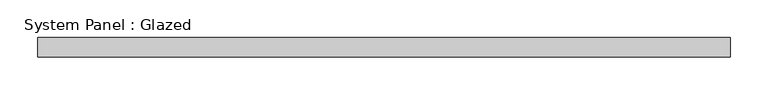
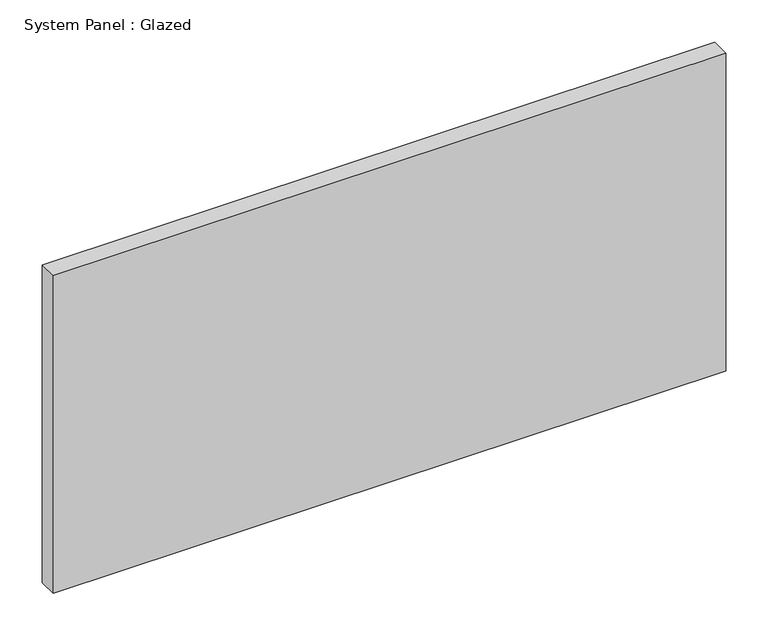
"""IFC4 building model written with IfcOpenShell, lengths in millimetres: plate geometry, System Panel : Glazed."""

import ifcopenshell
import ifcopenshell.guid

model = None  # the IFC model being written
_history = None  # IfcOwnerHistory: only IFC2X3 demands one
_inside = {}  # id of a spatial element -> (the spatial element, [elements in it])
_under = {}  # id of a project, library or spatial element -> (it, [spatial elements below it])
_declared = {}  # id of a project -> (the project, [libraries it declares])
_typed = {}  # id of a type object -> (the type object, [elements of that type])
_made_of = {}  # id of a material, layer set ... -> (it, [elements and type objects made of it])


def new_model(schema):
    """Start an empty IFC model of exactly this schema.

    Asked for "IFC4X3", IfcOpenShell would pick the latest addendum, in which some entities
    have other attributes; the version numbers below select the first issue.
    IFC2X3 requires an IfcOwnerHistory on every rooted entity: one is made here for all.
    """
    global model, _history
    if schema == "IFC4X3":
        model = ifcopenshell.file(schema_version=(4, 3, 0, 0))
    else:
        model = ifcopenshell.file(schema=schema)
    _inside.clear()
    _under.clear()
    _declared.clear()
    _typed.clear()
    _made_of.clear()
    _history = None
    if model.schema == "IFC2X3":
        org = make("IfcOrganization", Name="unknown")
        user = make(
            "IfcPersonAndOrganization",
            ThePerson=make("IfcPerson", FamilyName="unknown"),
            TheOrganization=org,
        )
        app = make(
            "IfcApplication",
            ApplicationDeveloper=org,
            Version="unknown",
            ApplicationFullName="unknown",
            ApplicationIdentifier="unknown",
        )
        _history = make(
            "IfcOwnerHistory",
            OwningUser=user,
            OwningApplication=app,
            ChangeAction="ADDED",
            CreationDate=0,
        )
    return model


def make(cls, **values):
    """One entity of the class cls with the attributes given. An attribute that is None is left unset."""
    return model.create_entity(
        cls, **{name: value for name, value in values.items() if value is not None}
    )


def rooted(cls, **values):
    """An entity with a GlobalId (a new one), such as an element, a storey or a relation."""
    return make(cls, GlobalId=ifcopenshell.guid.new(), OwnerHistory=_history, **values)


def si_unit(unit_type, name, prefix=None):
    """IfcSIUnit, for example si_unit("LENGTHUNIT", "METRE", prefix="MILLI")."""
    return make("IfcSIUnit", UnitType=unit_type, Prefix=prefix, Name=name)


def assignment(units):
    """IfcUnitAssignment: the units of a project."""
    return None if units is None else make("IfcUnitAssignment", Units=units)


def point(xyz):
    """IfcCartesianPoint."""
    return None if xyz is None else make("IfcCartesianPoint", Coordinates=xyz)


def direction(xyz):
    """IfcDirection."""
    return None if xyz is None else make("IfcDirection", DirectionRatios=xyz)


def frame(location, z_axis=None, x_axis=None):
    """IfcAxis2Placement3D, a coordinate frame: its origin and axes. An axis left out is left unset."""
    return make(
        "IfcAxis2Placement3D",
        Location=point(location),
        Axis=direction(z_axis),
        RefDirection=direction(x_axis),
    )


def origin():
    """The frame at (0, 0, 0) with its axes left unset."""
    return frame((0.0, 0.0, 0.0))


def origin_with_axes():
    """The frame at (0, 0, 0) with the z axis (0, 0, 1) and the x axis (1, 0, 0) written out."""
    return frame((0.0, 0.0, 0.0), z_axis=(0.0, 0.0, 1.0), x_axis=(1.0, 0.0, 0.0))


def place(relative_to, where):
    """IfcLocalPlacement: puts the frame where relative to a parent placement (None: the world)."""
    return make(
        "IfcLocalPlacement", PlacementRelTo=relative_to, RelativePlacement=where
    )


def context(
    kind, dimensions, precision=None, world=None, true_north=None, identifier=None
):
    """IfcGeometricRepresentationContext, for example the 3D "Model" context."""
    return make(
        "IfcGeometricRepresentationContext",
        ContextIdentifier=identifier,
        ContextType=kind,
        CoordinateSpaceDimension=dimensions,
        Precision=precision,
        WorldCoordinateSystem=world,
        TrueNorth=true_north,
    )


def project(units=None, contexts=None):
    """IfcProject with its units and contexts."""
    return rooted(
        "IfcProject",
        Name="project",
        RepresentationContexts=contexts,
        UnitsInContext=assignment(units),
    )


def spatial(cls, under=None, at=None, **own):
    """A site, building, storey or space (cls), placed at a placement, below another one or the project."""
    s = rooted(cls, ObjectPlacement=at, **own)
    if under is not None:
        _under.setdefault(under.id(), (under, []))[1].append(s)
    return s


def polyline(points):
    """IfcPolyline through the points."""
    return make("IfcPolyline", Points=[point(p) for p in points])


def outline(outer, holes=None, kind="AREA"):
    """IfcArbitraryClosedProfileDef: a profile drawn as a closed curve; with holes, ...WithVoids."""
    if holes is None:
        return make("IfcArbitraryClosedProfileDef", ProfileType=kind, OuterCurve=outer)
    return make(
        "IfcArbitraryProfileDefWithVoids",
        ProfileType=kind,
        OuterCurve=outer,
        InnerCurves=holes,
    )


def extrude(swept, where, along, depth):
    """IfcExtrudedAreaSolid: the profile swept, set in the frame where, extruded along a direction by depth."""
    return make(
        "IfcExtrudedAreaSolid",
        SweptArea=swept,
        Position=where,
        ExtrudedDirection=direction(along),
        Depth=depth,
    )


def shape(context_of_items, identifier, shape_type, items):
    """IfcShapeRepresentation: the items that make up one representation, for example the "Body"."""
    return make(
        "IfcShapeRepresentation",
        ContextOfItems=context_of_items,
        RepresentationIdentifier=identifier,
        RepresentationType=shape_type,
        Items=items,
    )


def source(mapping_origin, context_of_items, identifier, shape_type, items):
    """IfcRepresentationMap: a shape defined once, which mapped items show again and again."""
    return make(
        "IfcRepresentationMap",
        MappingOrigin=mapping_origin,
        MappedRepresentation=shape(context_of_items, identifier, shape_type, items),
    )


def transform(
    local_origin,
    x_axis=None,
    y_axis=None,
    z_axis=None,
    scale=None,
    scale2=None,
    scale3=None,
    uniform=True,
):
    """IfcCartesianTransformationOperator3D, or its non-uniform kind. x_axis, y_axis, z_axis: its Axis1, 2, 3."""
    if uniform:
        return make(
            "IfcCartesianTransformationOperator3D",
            Axis1=direction(x_axis),
            Axis2=direction(y_axis),
            LocalOrigin=point(local_origin),
            Scale=scale,
            Axis3=direction(z_axis),
        )
    return make(
        "IfcCartesianTransformationOperator3DnonUniform",
        Axis1=direction(x_axis),
        Axis2=direction(y_axis),
        LocalOrigin=point(local_origin),
        Scale=scale,
        Axis3=direction(z_axis),
        Scale2=scale2,
        Scale3=scale3,
    )


def mapped(mapping_source, mapping_target):
    """IfcMappedItem: shows the shape of a source again, moved by a transform."""
    return make(
        "IfcMappedItem", MappingSource=mapping_source, MappingTarget=mapping_target
    )


def made_of(thing, what):
    """Note that an element or type object is made of a material, layer set ...; save() writes the relation."""
    if what is not None:
        _made_of.setdefault(what.id(), (what, []))[1].append(thing)
    return thing


def element(
    cls,
    number,
    at=None,
    inside=None,
    cuts=None,
    type_object=None,
    material=None,
    context=None,
    identifier="Body",
    shape_type=None,
    held_by="IfcProductDefinitionShape",
    body=None,
    shapes=None,
    **own,
):
    """One element of the class cls, such as IfcWall. Its Tag is "e" and its number.

    at: its placement. inside: the storey or other place that contains it. cuts: it is an
    opening in that element (IfcRelVoidsElement). A single representation is given by context,
    identifier, shape_type and body (its items); several are given by shapes. held_by: the class
    of the entity that holds the representations. save() writes the other relations.
    """
    e = rooted(cls, Tag="e%d" % number, ObjectPlacement=at, **own)
    if body is not None:
        shapes = [shape(context, identifier, shape_type, body)]
    if shapes is not None:
        e.Representation = make(held_by, Representations=shapes)
    if inside is not None:
        _inside.setdefault(inside.id(), (inside, []))[1].append(e)
    if cuts is not None:
        rooted(
            "IfcRelVoidsElement", RelatingBuildingElement=cuts, RelatedOpeningElement=e
        )
    if type_object is not None:
        _typed.setdefault(type_object.id(), (type_object, []))[1].append(e)
    return made_of(e, material)


def aggregate(whole, parts):
    """IfcRelAggregates: a whole, such as a stair, and the parts it consists of."""
    return rooted("IfcRelAggregates", RelatingObject=whole, RelatedObjects=parts)


def save(model, path):
    """Write the relations noted so far, then the file.

    IfcRelAggregates (storeys below a building ...), IfcRelContainedInSpatialStructure (elements
    in a storey), IfcRelDefinesByType, IfcRelAssociatesMaterial and IfcRelDeclares: one each for
    every whole, place, type object, material and project.
    """
    for whole, parts in _under.values():
        aggregate(whole, parts)
    for where, things in _inside.values():
        rooted(
            "IfcRelContainedInSpatialStructure",
            RelatedElements=things,
            RelatingStructure=where,
        )
    for kind, things in _typed.values():
        rooted("IfcRelDefinesByType", RelatedObjects=things, RelatingType=kind)
    for what, things in _made_of.values():
        rooted("IfcRelAssociatesMaterial", RelatedObjects=things, RelatingMaterial=what)
    for by, libraries in _declared.values():
        rooted("IfcRelDeclares", RelatingContext=by, RelatedDefinitions=libraries)
    model.write(path)


def system_panel_glazed_8c5bd8b1(model_context):
    return source(origin(), model_context, "Body", "SweptSolid", [
        extrude(outline(polyline([(457.2, 19.05), (-457.2, 19.05), (-457.2, 44.45), (457.2, 44.45), (457.2, 19.05)])), origin_with_axes(), (0.0, 0.0, 1.0), 457.2),
    ])


if __name__ == "__main__":
    model = new_model("IFC4")
    model_context = context("Model", 3, world=origin())
    ifc_project = project(units=[si_unit("LENGTHUNIT", "METRE", prefix="MILLI")], contexts=[model_context])
    site = spatial("IfcSite", under=ifc_project)
    building = spatial("IfcBuilding", under=site)
    placement = place(None, origin())
    system_panel_glazed_shape = system_panel_glazed_8c5bd8b1(model_context)
    element("IfcPlate", 1, ObjectType="System Panel : Glazed", at=placement, inside=building, context=model_context, shape_type="MappedRepresentation", body=[
        mapped(system_panel_glazed_shape, transform((0.0, 0.0, 0.0), x_axis=(1.0, 0.0, 0.0), y_axis=(0.0, 1.0, 0.0), z_axis=(0.0, 0.0, 1.0))),
    ])
    save(model, "model.ifc")
